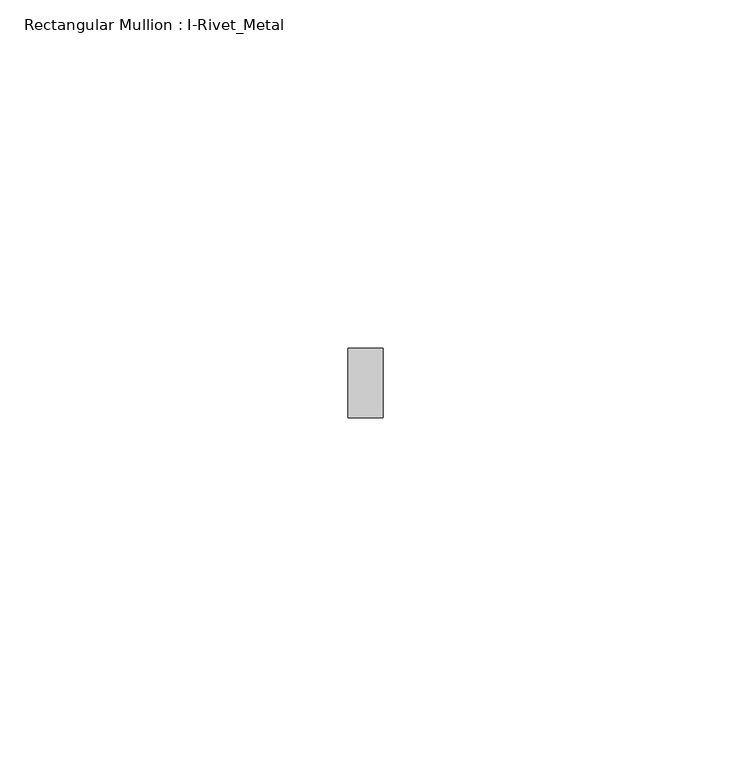
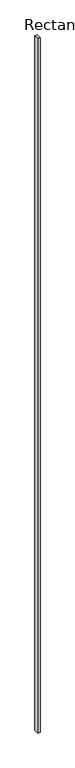
"""IFC4 building model written with IfcOpenShell, lengths in millimetres: member geometry, Rectangular Mullion : I-Rivet_Metal."""

from ifc_helpers import new_model, si_unit, frame, origin, place, context, project, spatial, polyline, outline, extrude, source, transform, mapped, element, save


def rectangular_mullion_i_rivet_metal_3980a794(model_context):
    return source(origin(), model_context, "Body", "SweptSolid", [
        extrude(outline(polyline([(2.5, 70.0), (-2.5, 70.0), (-2.5, 80.0), (2.5, 80.0), (2.5, 70.0)])), frame((0.0, 0.0, -1552.993466), z_axis=(0.0, 0.0, 1.0), x_axis=(1.0, 0.0, 0.0)), (0.0, 0.0, 1.0), 1552.993466),
    ])


if __name__ == "__main__":
    model = new_model("IFC4")
    model_context = context("Model", 3, world=origin())
    ifc_project = project(units=[si_unit("LENGTHUNIT", "METRE", prefix="MILLI")], contexts=[model_context])
    site = spatial("IfcSite", under=ifc_project)
    building = spatial("IfcBuilding", under=site)
    placement = place(None, origin())
    rectangular_mullion_i_rivet_metal_shape = rectangular_mullion_i_rivet_metal_3980a794(model_context)
    element("IfcMember", 1, ObjectType="Rectangular Mullion : I-Rivet_Metal", at=placement, inside=building, context=model_context, shape_type="MappedRepresentation", body=[
        mapped(rectangular_mullion_i_rivet_metal_shape, transform((0.0, 0.0, 0.0), x_axis=(1.0, 0.0, 0.0), y_axis=(0.0, 1.0, 0.0), z_axis=(0.0, 0.0, 1.0))),
    ])
    save(model, "model.ifc")
